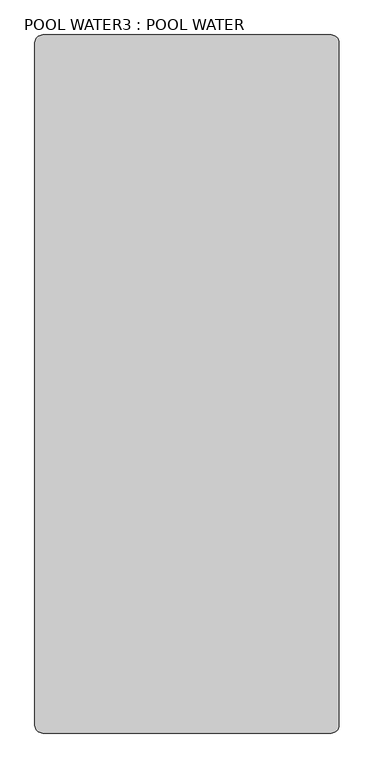
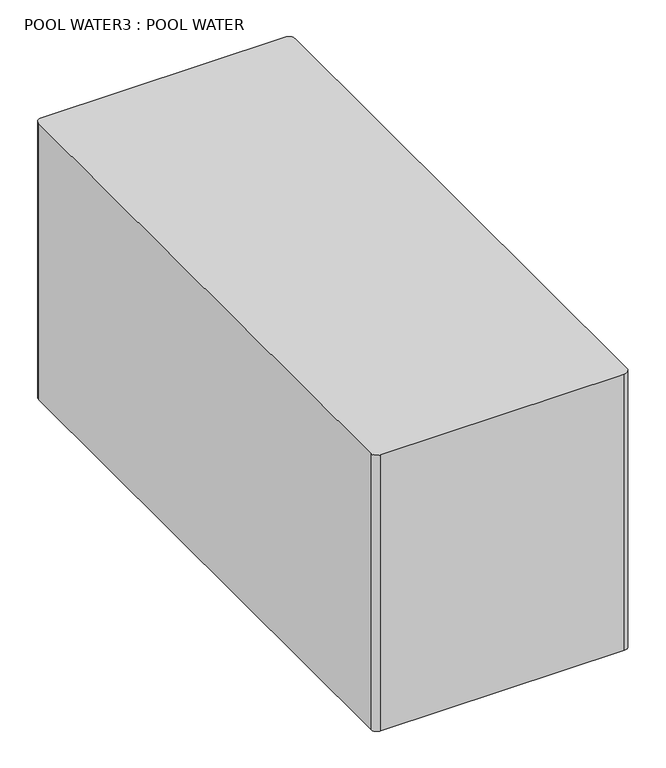
"""IFC4 building model written with IfcOpenShell, lengths in millimetres: geographic element geometry, POOL WATER3 : POOL WATER."""

from ifc_helpers import new_model, si_unit, point, frame, frame_2d, origin, place, context, project, spatial, polyline, circle_curve, trimmed, segment, composite_curve, outline, extrude, source, transform, mapped, element, save


def pool_water3_pool_water_f21f8ebf(model_context):
    return source(origin(), model_context, "Body", "SweptSolid", [
        extrude(outline(composite_curve([segment(trimmed(circle_curve(frame_2d((52312.8440621, 1230.1483634)), 38.1), [point((52350.9440621, 1230.1483634))], [point((52312.8440621, 1192.0483634))], False, "CARTESIAN"), True, "CONTINUOUS"), segment(polyline([(52312.8440621, 1192.0483634), (50915.8440621, 1192.0483634)]), True, "CONTINUOUS"), segment(trimmed(circle_curve(frame_2d((50915.8440621, 1230.1483634)), 38.1), [point((50915.8440621, 1192.0483634))], [point((50877.7440621, 1230.1483634))], False, "CARTESIAN"), True, "CONTINUOUS"), segment(polyline([(50877.7440621, 1230.1483634), (50877.7440621, 4531.3646516)]), True, "CONTINUOUS"), segment(trimmed(circle_curve(frame_2d((50915.8440621, 4531.3646516)), 38.1), [point((50877.7440621, 4531.3646516))], [point((50915.8440621, 4569.4646516))], False, "CARTESIAN"), True, "CONTINUOUS"), segment(polyline([(50915.8440621, 4569.4646516), (52312.8440621, 4569.4646516)]), True, "CONTINUOUS"), segment(trimmed(circle_curve(frame_2d((52312.8440621, 4531.3646516)), 38.1), [point((52312.8440621, 4569.4646516))], [point((52350.9440621, 4531.3646516))], False, "CARTESIAN"), True, "CONTINUOUS"), segment(polyline([(52350.9440621, 4531.3646516), (52350.9440621, 1230.1483634)]), True, "CONTINUOUS")], self_intersect=False)), frame((0.0, 0.0, -1828.8), z_axis=(0.0, 0.0, 1.0), x_axis=(1.0, 0.0, 0.0)), (0.0, 0.0, 1.0), 1676.4),
    ])


if __name__ == "__main__":
    model = new_model("IFC4")
    model_context = context("Model", 3, world=origin())
    ifc_project = project(units=[si_unit("LENGTHUNIT", "METRE", prefix="MILLI")], contexts=[model_context])
    site = spatial("IfcSite", under=ifc_project)
    building = spatial("IfcBuilding", under=site)
    placement = place(None, origin())
    pool_water3_pool_water_shape = pool_water3_pool_water_f21f8ebf(model_context)
    element("IfcGeographicElement", 1, ObjectType="POOL WATER3 : POOL WATER", at=placement, inside=building, context=model_context, shape_type="MappedRepresentation", body=[
        mapped(pool_water3_pool_water_shape, transform((0.0, 0.0, 0.0), x_axis=(1.0, 0.0, 0.0), y_axis=(0.0, 1.0, 0.0), z_axis=(0.0, 0.0, 1.0))),
    ])
    save(model, "model.ifc")
